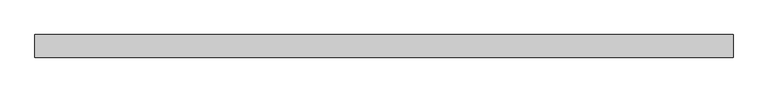
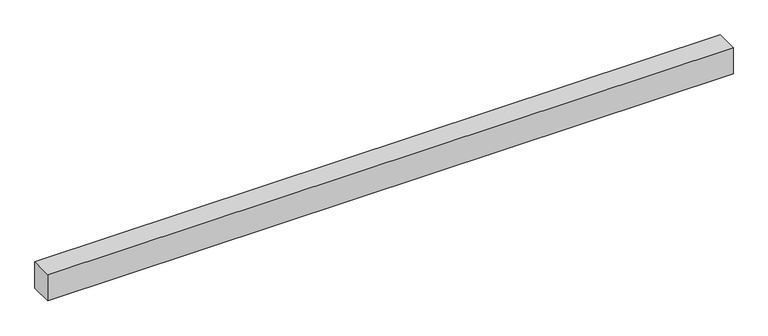
"""IFC4 building model written with IfcOpenShell, lengths in millimetres: proxy geometry."""

from ifc_helpers import new_model, si_unit, origin, origin_with_axes, place, context, project, spatial, polyline, outline, extrude, source, transform, mapped, element, save


def generic_models_f977c058(model_context):
    return source(origin(), model_context, "Body", "SweptSolid", [
        extrude(outline(polyline([(2464.2640687, -40.0), (0.0, -40.0), (0.0, 40.0), (2464.2640687, 40.0), (2464.2640687, -40.0)])), origin_with_axes(), (0.0, 0.0, 1.0), 100.0),
    ])


if __name__ == "__main__":
    model = new_model("IFC4")
    model_context = context("Model", 3, world=origin())
    ifc_project = project(units=[si_unit("LENGTHUNIT", "METRE", prefix="MILLI")], contexts=[model_context])
    site = spatial("IfcSite", under=ifc_project)
    building = spatial("IfcBuilding", under=site)
    placement = place(None, origin())
    generic_models_shape = generic_models_f977c058(model_context)
    element("IfcBuildingElementProxy", 1, Name="Generic Models", at=placement, inside=building, context=model_context, shape_type="MappedRepresentation", body=[
        mapped(generic_models_shape, transform((0.0, 0.0, 0.0), x_axis=(1.0, 0.0, 0.0), y_axis=(0.0, 1.0, 0.0), z_axis=(0.0, 0.0, 1.0))),
    ])
    save(model, "model.ifc")
